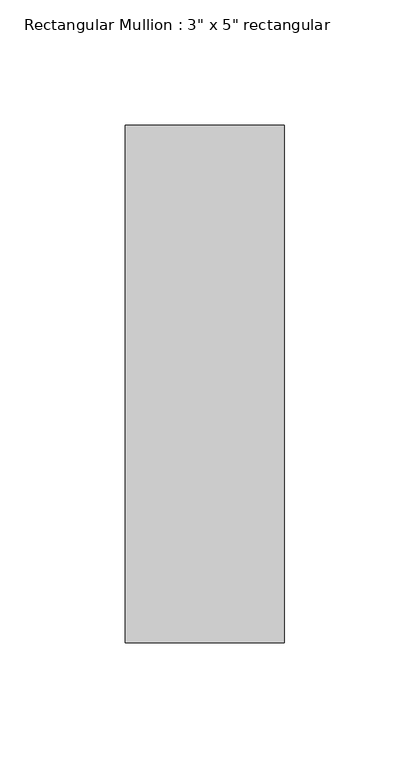
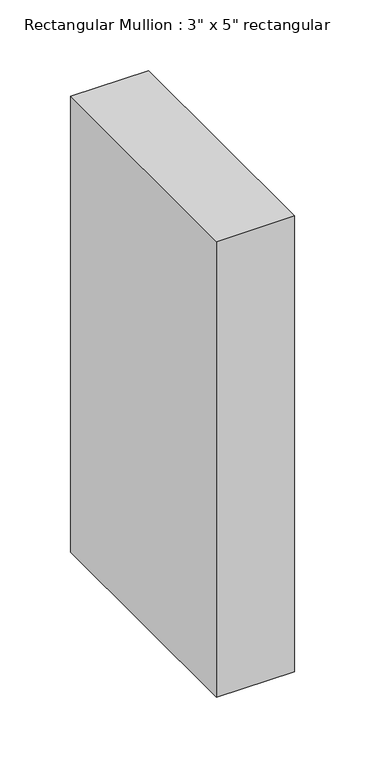
"""IFC4 building model written with IfcOpenShell, lengths in millimetres: member geometry."""

from ifc_helpers import new_model, si_unit, frame, origin, place, context, project, spatial, polyline, outline, extrude, source, transform, mapped, element, save


def member_6fba0d07(model_context):
    return source(origin(), model_context, "Body", "SweptSolid", [
        extrude(outline(polyline([(31.75, 90.551), (31.75, -115.951), (-31.75, -115.951), (-31.75, 90.551), (31.75, 90.551)])), frame((0.0, 0.0, -393.2), z_axis=(0.0, 0.0, 1.0), x_axis=(1.0, 0.0, 0.0)), (0.0, 0.0, 1.0), 393.2),
    ])


if __name__ == "__main__":
    model = new_model("IFC4")
    model_context = context("Model", 3, world=origin())
    ifc_project = project(units=[si_unit("LENGTHUNIT", "METRE", prefix="MILLI")], contexts=[model_context])
    site = spatial("IfcSite", under=ifc_project)
    building = spatial("IfcBuilding", under=site)
    placement = place(None, origin())
    member_shape = member_6fba0d07(model_context)
    element("IfcMember", 1, ObjectType="Rectangular Mullion : 3\" x 5\" rectangular", at=placement, inside=building, context=model_context, shape_type="MappedRepresentation", body=[
        mapped(member_shape, transform((0.0, 0.0, 0.0), x_axis=(1.0, 0.0, 0.0), y_axis=(0.0, 1.0, 0.0), z_axis=(0.0, 0.0, 1.0))),
    ])
    save(model, "model.ifc")
